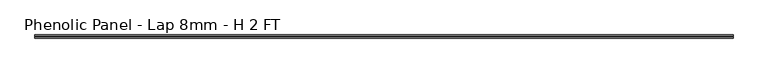
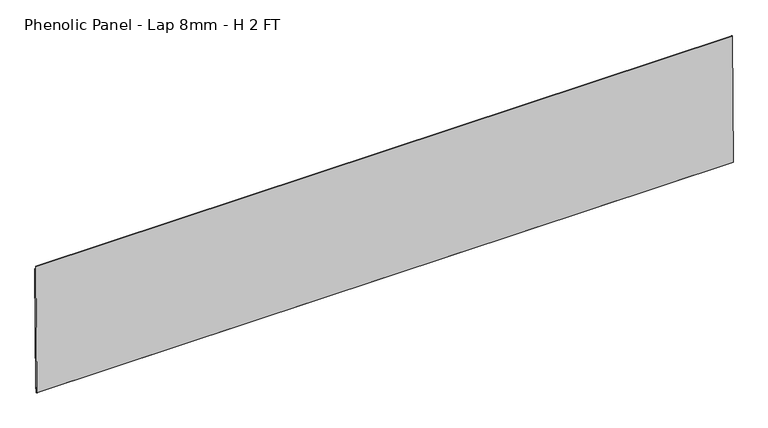
"""IFC4 building model written with IfcOpenShell, lengths in millimetres: proxy geometry, Phenolic Panel - Lap 8mm - H 2 FT."""

from ifc_helpers import new_model, si_unit, frame, origin, place, context, project, spatial, polyline, outline, extrude, source, transform, mapped, element, save


def phenolic_panel_lap_8mm_h_2_ft_360083bf(model_context):
    return source(origin(), model_context, "Body", "SweptSolid", [
        extrude(outline(polyline([(2.7732555, 593.6735917), (-2.4688477, 47.5987522), (-4.849988, 47.6216102), (-4.7737946, 55.5587445), (-7.3533633, 55.5835073), (-7.5819434, 31.7721044), (-9.5523841, 31.7910199), (-10.5487117, 32.8066615), (-5.0211492, 608.618069), (-4.0055075, 609.6143966), (-2.6240021, 609.6011347), (-2.7763888, 593.7268661), (2.7732555, 593.6735917)])), frame((-1809.75, 0.0, 0.0), z_axis=(1.0, 0.0, 0.0), x_axis=(0.0, 1.0, 0.0)), (0.0, 0.0, 1.0), 3028.95),
    ])


if __name__ == "__main__":
    model = new_model("IFC4")
    model_context = context("Model", 3, world=origin())
    ifc_project = project(units=[si_unit("LENGTHUNIT", "METRE", prefix="MILLI")], contexts=[model_context])
    site = spatial("IfcSite", under=ifc_project)
    building = spatial("IfcBuilding", under=site)
    placement = place(None, origin())
    phenolic_panel_lap_8mm_h_2_ft_shape = phenolic_panel_lap_8mm_h_2_ft_360083bf(model_context)
    element("IfcBuildingElementProxy", 1, Name="Phenolic Panel - Lap 8mm - H 2 FT", ObjectType="Phenolic Panel - Lap 8mm - H 2 FT", at=placement, inside=building, context=model_context, shape_type="MappedRepresentation", body=[
        mapped(phenolic_panel_lap_8mm_h_2_ft_shape, transform((0.0, 0.0, 0.0), x_axis=(1.0, 0.0, 0.0), y_axis=(0.0, 1.0, 0.0), z_axis=(0.0, 0.0, 1.0))),
    ])
    save(model, "model.ifc")
